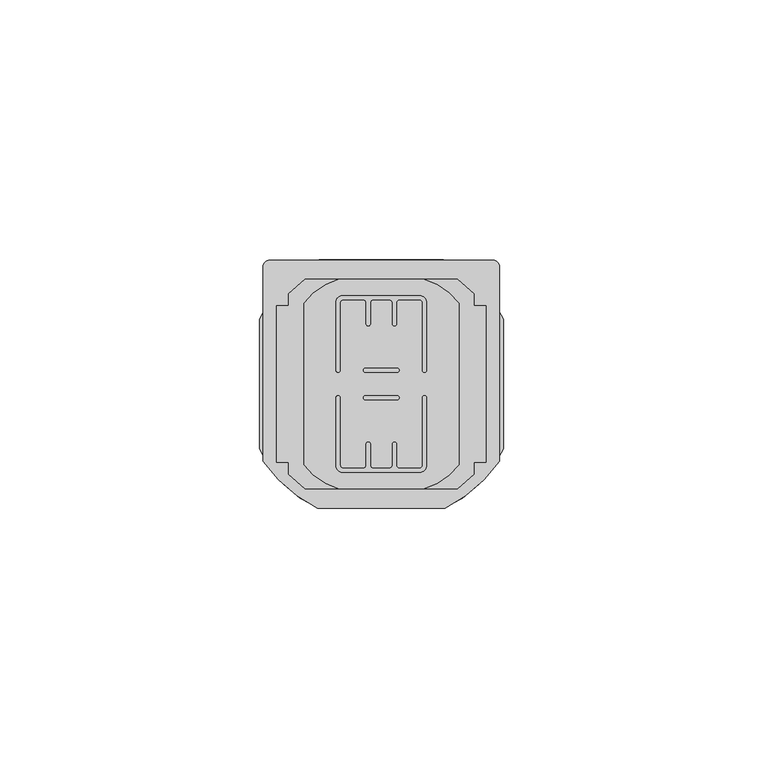
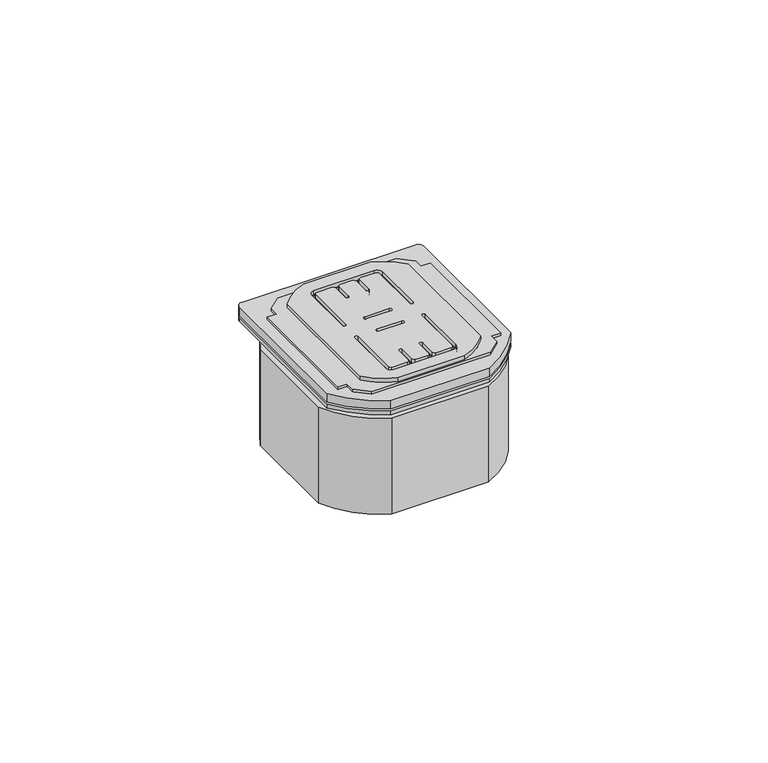
"""IFC4 building model written with IfcOpenShell, lengths in millimetres: proxy geometry."""

from ifc_helpers import new_model, si_unit, point, frame, frame_2d, origin, origin_with_axes, place, context, project, spatial, polyline, circle_curve, trimmed, segment, composite_curve, outline, extrude, source, transform, mapped, element, save


def electrical_fixtures_4f2df6b9(model_context):
    return source(origin(), model_context, "Body", "SweptSolid", [
        extrude(outline(composite_curve([segment(polyline([(0.9789013, 46.32347), (43.9976663, 46.32347)]), True, "CONTINUOUS"), segment(trimmed(circle_curve(frame_2d((43.9976663, 45.0249319)), 1.2985381), [point((43.9976663, 46.32347))], [point((45.2962044, 45.0249319))], False, "CARTESIAN"), True, "CONTINUOUS"), segment(polyline([(45.2962044, 45.0249319), (45.2962044, 7.6543811)]), True, "CONTINUOUS"), segment(trimmed(circle_curve(frame_2d((21.1903516, 24.8431667)), 29.6065278), [point((45.2962044, 7.6543811))], [point((34.7580096, -1.4715658))], False, "CARTESIAN"), True, "CONTINUOUS"), segment(polyline([(34.7580096, -1.4715658), (10.2419904, -1.4715658)]), True, "CONTINUOUS"), segment(trimmed(circle_curve(frame_2d((23.8096484, 24.8431667)), 29.6065278), [point((10.2419904, -1.4715658))], [point((-0.2962044, 7.6543811))], False, "CARTESIAN"), True, "CONTINUOUS"), segment(polyline([(-0.2962044, 7.6543811), (-0.2962044, 45.0483644)]), True, "CONTINUOUS"), segment(trimmed(circle_curve(frame_2d((0.9789013, 45.0483644)), 1.2751056), [point((-0.2962044, 45.0483644))], [point((0.9789013, 46.32347))], False, "CARTESIAN"), True, "CONTINUOUS")], self_intersect=False), holes=[composite_curve([segment(trimmed(circle_curve(frame_2d((19.4484779, 25.15)), 0.4), [point((19.4484779, 25.55))], [point((19.4484779, 24.75))], True, "CARTESIAN"), True, "CONTINUOUS"), segment(polyline([(19.4484779, 24.75), (25.5515221, 24.75)]), True, "CONTINUOUS"), segment(trimmed(circle_curve(frame_2d((25.5515221, 25.15)), 0.4), [point((25.5515221, 24.75))], [point((25.5515221, 25.55))], True, "CARTESIAN"), True, "CONTINUOUS"), segment(polyline([(25.5515221, 25.55), (19.4484779, 25.55)]), True, "CONTINUOUS")], self_intersect=False), composite_curve([segment(trimmed(circle_curve(frame_2d((14.9616115, 6.6866115)), 1.1866115), [point((13.775, 6.6866115))], [point((14.9616115, 5.5))], True, "CARTESIAN"), True, "CONTINUOUS"), segment(polyline([(14.9616115, 5.5), (29.851578, 5.5)]), True, "CONTINUOUS"), segment(trimmed(circle_curve(frame_2d((29.851578, 6.873422)), 1.373422), [point((29.851578, 5.5))], [point((31.225, 6.873422))], True, "CARTESIAN"), True, "CONTINUOUS"), segment(polyline([(31.225, 6.873422), (31.225, 19.8515221)]), True, "CONTINUOUS"), segment(trimmed(circle_curve(frame_2d((30.825, 19.8515221)), 0.4), [point((31.225, 19.8515221))], [point((30.425, 19.8515221))], True, "CARTESIAN"), True, "CONTINUOUS"), segment(polyline([(30.425, 19.8515221), (30.425, 6.8108844)]), True, "CONTINUOUS"), segment(trimmed(circle_curve(frame_2d((29.9141156, 6.8108844)), 0.5108844), [point((30.425, 6.8108844))], [point((29.9141156, 6.3))], False, "CARTESIAN"), True, "CONTINUOUS"), segment(polyline([(29.9141156, 6.3), (25.9478572, 6.3)]), True, "CONTINUOUS"), segment(trimmed(circle_curve(frame_2d((25.9478572, 6.8228572)), 0.5228572), [point((25.9478572, 6.3))], [point((25.425, 6.8228572))], False, "CARTESIAN"), True, "CONTINUOUS"), segment(polyline([(25.425, 6.8228572), (25.425, 10.9015221)]), True, "CONTINUOUS"), segment(trimmed(circle_curve(frame_2d((25.025, 10.9015221)), 0.4), [point((25.425, 10.9015221))], [point((24.625, 10.9015221))], True, "CARTESIAN"), True, "CONTINUOUS"), segment(polyline([(24.625, 10.9015221), (24.625, 6.821406)]), True, "CONTINUOUS"), segment(trimmed(circle_curve(frame_2d((24.103594, 6.821406)), 0.521406), [point((24.625, 6.821406))], [point((24.103594, 6.3))], False, "CARTESIAN"), True, "CONTINUOUS"), segment(polyline([(24.103594, 6.3), (20.9005079, 6.3)]), True, "CONTINUOUS"), segment(trimmed(circle_curve(frame_2d((20.9005079, 6.8255079)), 0.5255079), [point((20.9005079, 6.3))], [point((20.375, 6.8255079))], False, "CARTESIAN"), True, "CONTINUOUS"), segment(polyline([(20.375, 6.8255079), (20.375, 10.9015221)]), True, "CONTINUOUS"), segment(trimmed(circle_curve(frame_2d((19.975, 10.9015221)), 0.4), [point((20.375, 10.9015221))], [point((19.575, 10.9015221))], True, "CARTESIAN"), True, "CONTINUOUS"), segment(polyline([(19.575, 10.9015221), (19.575, 6.8233164)]), True, "CONTINUOUS"), segment(trimmed(circle_curve(frame_2d((19.0516836, 6.8233164)), 0.5233164), [point((19.575, 6.8233164))], [point((19.0516836, 6.3))], False, "CARTESIAN"), True, "CONTINUOUS"), segment(polyline([(19.0516836, 6.3), (15.075, 6.3)]), True, "CONTINUOUS"), segment(trimmed(circle_curve(frame_2d((15.075, 6.8)), 0.5), [point((15.075, 6.3))], [point((14.575, 6.8))], False, "CARTESIAN"), True, "CONTINUOUS"), segment(polyline([(14.575, 6.8), (14.575, 19.8515221)]), True, "CONTINUOUS"), segment(trimmed(circle_curve(frame_2d((14.175, 19.8515221)), 0.4), [point((14.575, 19.8515221))], [point((13.775, 19.8515221))], True, "CARTESIAN"), True, "CONTINUOUS"), segment(polyline([(13.775, 19.8515221), (13.775, 6.6866115)]), True, "CONTINUOUS")], self_intersect=False), composite_curve([segment(trimmed(circle_curve(frame_2d((19.4484779, 19.85)), 0.4), [point((19.4484779, 20.25))], [point((19.4484779, 19.45))], True, "CARTESIAN"), True, "CONTINUOUS"), segment(polyline([(19.4484779, 19.45), (25.5515221, 19.45)]), True, "CONTINUOUS"), segment(trimmed(circle_curve(frame_2d((25.5515221, 19.85)), 0.4), [point((25.5515221, 19.45))], [point((25.5515221, 20.25))], True, "CARTESIAN"), True, "CONTINUOUS"), segment(polyline([(25.5515221, 20.25), (19.4484779, 20.25)]), True, "CONTINUOUS")], self_intersect=False), composite_curve([segment(polyline([(13.775, 38.3133885), (13.775, 25.1484779)]), True, "CONTINUOUS"), segment(trimmed(circle_curve(frame_2d((14.175, 25.1484779)), 0.4), [point((13.775, 25.1484779))], [point((14.575, 25.1484779))], True, "CARTESIAN"), True, "CONTINUOUS"), segment(polyline([(14.575, 25.1484779), (14.575, 38.2)]), True, "CONTINUOUS"), segment(trimmed(circle_curve(frame_2d((15.075, 38.2)), 0.5), [point((14.575, 38.2))], [point((15.075, 38.7))], False, "CARTESIAN"), True, "CONTINUOUS"), segment(polyline([(15.075, 38.7), (19.0516836, 38.7)]), True, "CONTINUOUS"), segment(trimmed(circle_curve(frame_2d((19.0516836, 38.1766836)), 0.5233164), [point((19.0516836, 38.7))], [point((19.575, 38.1766836))], False, "CARTESIAN"), True, "CONTINUOUS"), segment(polyline([(19.575, 38.1766836), (19.575, 34.0984779)]), True, "CONTINUOUS"), segment(trimmed(circle_curve(frame_2d((19.975, 34.0984779)), 0.4), [point((19.575, 34.0984779))], [point((20.375, 34.0984779))], True, "CARTESIAN"), True, "CONTINUOUS"), segment(polyline([(20.375, 34.0984779), (20.375, 38.1744921)]), True, "CONTINUOUS"), segment(trimmed(circle_curve(frame_2d((20.9005079, 38.1744921)), 0.5255079), [point((20.375, 38.1744921))], [point((20.9005079, 38.7))], False, "CARTESIAN"), True, "CONTINUOUS"), segment(polyline([(20.9005079, 38.7), (24.103594, 38.7)]), True, "CONTINUOUS"), segment(trimmed(circle_curve(frame_2d((24.103594, 38.178594)), 0.521406), [point((24.103594, 38.7))], [point((24.625, 38.178594))], False, "CARTESIAN"), True, "CONTINUOUS"), segment(polyline([(24.625, 38.178594), (24.625, 34.0984779)]), True, "CONTINUOUS"), segment(trimmed(circle_curve(frame_2d((25.025, 34.0984779)), 0.4), [point((24.625, 34.0984779))], [point((25.425, 34.0984779))], True, "CARTESIAN"), True, "CONTINUOUS"), segment(polyline([(25.425, 34.0984779), (25.425, 38.1771428)]), True, "CONTINUOUS"), segment(trimmed(circle_curve(frame_2d((25.9478572, 38.1771428)), 0.5228572), [point((25.425, 38.1771428))], [point((25.9478572, 38.7))], False, "CARTESIAN"), True, "CONTINUOUS"), segment(polyline([(25.9478572, 38.7), (29.9141156, 38.7)]), True, "CONTINUOUS"), segment(trimmed(circle_curve(frame_2d((29.9141156, 38.1891156)), 0.5108844), [point((29.9141156, 38.7))], [point((30.425, 38.1891156))], False, "CARTESIAN"), True, "CONTINUOUS"), segment(polyline([(30.425, 38.1891156), (30.425, 25.1484779)]), True, "CONTINUOUS"), segment(trimmed(circle_curve(frame_2d((30.825, 25.1484779)), 0.4), [point((30.425, 25.1484779))], [point((31.225, 25.1484779))], True, "CARTESIAN"), True, "CONTINUOUS"), segment(polyline([(31.225, 25.1484779), (31.225, 38.126578)]), True, "CONTINUOUS"), segment(trimmed(circle_curve(frame_2d((29.851578, 38.126578)), 1.373422), [point((31.225, 38.126578))], [point((29.851578, 39.5))], True, "CARTESIAN"), True, "CONTINUOUS"), segment(polyline([(29.851578, 39.5), (14.9616115, 39.5)]), True, "CONTINUOUS"), segment(trimmed(circle_curve(frame_2d((14.9616115, 38.3133885)), 1.1866115), [point((14.9616115, 39.5))], [point((13.775, 38.3133885))], True, "CARTESIAN"), True, "CONTINUOUS")], self_intersect=False)]), frame((0.0, 0.0, 1.4999955), z_axis=(0.0, 0.0, 1.0), x_axis=(1.0, 0.0, 0.0)), (0.0, 0.0, 1.0), 2.2117035),
        extrude(outline(polyline([(7.817513, 42.6965395), (37.1590546, 42.6965395), (40.3765675, 39.8746223), (40.3765675, 37.6), (42.6878119, 37.6), (42.6878119, 7.4), (40.3765675, 7.4), (40.3765675, 5.1253777), (37.1590546, 2.3034605), (7.817513, 2.3034605), (4.6, 5.1253777), (4.6, 7.4), (2.3121881, 7.4), (2.3121881, 37.6), (4.6, 37.6), (4.6, 39.8746223), (7.817513, 42.6965395)]), holes=[composite_curve([segment(trimmed(circle_curve(frame_2d((19.4484779, 25.15)), 0.4), [point((19.4484779, 25.55))], [point((19.4484779, 24.75))], True, "CARTESIAN"), True, "CONTINUOUS"), segment(polyline([(19.4484779, 24.75), (25.5515221, 24.75)]), True, "CONTINUOUS"), segment(trimmed(circle_curve(frame_2d((25.5515221, 25.15)), 0.4), [point((25.5515221, 24.75))], [point((25.5515221, 25.55))], True, "CARTESIAN"), True, "CONTINUOUS"), segment(polyline([(25.5515221, 25.55), (19.4484779, 25.55)]), True, "CONTINUOUS")], self_intersect=False), composite_curve([segment(trimmed(circle_curve(frame_2d((14.9616115, 6.6866115)), 1.1866115), [point((13.775, 6.6866115))], [point((14.9616115, 5.5))], True, "CARTESIAN"), True, "CONTINUOUS"), segment(polyline([(14.9616115, 5.5), (29.851578, 5.5)]), True, "CONTINUOUS"), segment(trimmed(circle_curve(frame_2d((29.851578, 6.873422)), 1.373422), [point((29.851578, 5.5))], [point((31.225, 6.873422))], True, "CARTESIAN"), True, "CONTINUOUS"), segment(polyline([(31.225, 6.873422), (31.225, 19.8515221)]), True, "CONTINUOUS"), segment(trimmed(circle_curve(frame_2d((30.825, 19.8515221)), 0.4), [point((31.225, 19.8515221))], [point((30.425, 19.8515221))], True, "CARTESIAN"), True, "CONTINUOUS"), segment(polyline([(30.425, 19.8515221), (30.425, 6.8108844)]), True, "CONTINUOUS"), segment(trimmed(circle_curve(frame_2d((29.9141156, 6.8108844)), 0.5108844), [point((30.425, 6.8108844))], [point((29.9141156, 6.3))], False, "CARTESIAN"), True, "CONTINUOUS"), segment(polyline([(29.9141156, 6.3), (25.9478572, 6.3)]), True, "CONTINUOUS"), segment(trimmed(circle_curve(frame_2d((25.9478572, 6.8228572)), 0.5228572), [point((25.9478572, 6.3))], [point((25.425, 6.8228572))], False, "CARTESIAN"), True, "CONTINUOUS"), segment(polyline([(25.425, 6.8228572), (25.425, 10.9015221)]), True, "CONTINUOUS"), segment(trimmed(circle_curve(frame_2d((25.025, 10.9015221)), 0.4), [point((25.425, 10.9015221))], [point((24.625, 10.9015221))], True, "CARTESIAN"), True, "CONTINUOUS"), segment(polyline([(24.625, 10.9015221), (24.625, 6.821406)]), True, "CONTINUOUS"), segment(trimmed(circle_curve(frame_2d((24.103594, 6.821406)), 0.521406), [point((24.625, 6.821406))], [point((24.103594, 6.3))], False, "CARTESIAN"), True, "CONTINUOUS"), segment(polyline([(24.103594, 6.3), (20.9005079, 6.3)]), True, "CONTINUOUS"), segment(trimmed(circle_curve(frame_2d((20.9005079, 6.8255079)), 0.5255079), [point((20.9005079, 6.3))], [point((20.375, 6.8255079))], False, "CARTESIAN"), True, "CONTINUOUS"), segment(polyline([(20.375, 6.8255079), (20.375, 10.9015221)]), True, "CONTINUOUS"), segment(trimmed(circle_curve(frame_2d((19.975, 10.9015221)), 0.4), [point((20.375, 10.9015221))], [point((19.575, 10.9015221))], True, "CARTESIAN"), True, "CONTINUOUS"), segment(polyline([(19.575, 10.9015221), (19.575, 6.8233164)]), True, "CONTINUOUS"), segment(trimmed(circle_curve(frame_2d((19.0516836, 6.8233164)), 0.5233164), [point((19.575, 6.8233164))], [point((19.0516836, 6.3))], False, "CARTESIAN"), True, "CONTINUOUS"), segment(polyline([(19.0516836, 6.3), (15.075, 6.3)]), True, "CONTINUOUS"), segment(trimmed(circle_curve(frame_2d((15.075, 6.8)), 0.5), [point((15.075, 6.3))], [point((14.575, 6.8))], False, "CARTESIAN"), True, "CONTINUOUS"), segment(polyline([(14.575, 6.8), (14.575, 19.8515221)]), True, "CONTINUOUS"), segment(trimmed(circle_curve(frame_2d((14.175, 19.8515221)), 0.4), [point((14.575, 19.8515221))], [point((13.775, 19.8515221))], True, "CARTESIAN"), True, "CONTINUOUS"), segment(polyline([(13.775, 19.8515221), (13.775, 6.6866115)]), True, "CONTINUOUS")], self_intersect=False), composite_curve([segment(trimmed(circle_curve(frame_2d((19.4484779, 19.85)), 0.4), [point((19.4484779, 20.25))], [point((19.4484779, 19.45))], True, "CARTESIAN"), True, "CONTINUOUS"), segment(polyline([(19.4484779, 19.45), (25.5515221, 19.45)]), True, "CONTINUOUS"), segment(trimmed(circle_curve(frame_2d((25.5515221, 19.85)), 0.4), [point((25.5515221, 19.45))], [point((25.5515221, 20.25))], True, "CARTESIAN"), True, "CONTINUOUS"), segment(polyline([(25.5515221, 20.25), (19.4484779, 20.25)]), True, "CONTINUOUS")], self_intersect=False), composite_curve([segment(polyline([(13.775, 38.3133885), (13.775, 25.1484779)]), True, "CONTINUOUS"), segment(trimmed(circle_curve(frame_2d((14.175, 25.1484779)), 0.4), [point((13.775, 25.1484779))], [point((14.575, 25.1484779))], True, "CARTESIAN"), True, "CONTINUOUS"), segment(polyline([(14.575, 25.1484779), (14.575, 38.2)]), True, "CONTINUOUS"), segment(trimmed(circle_curve(frame_2d((15.075, 38.2)), 0.5), [point((14.575, 38.2))], [point((15.075, 38.7))], False, "CARTESIAN"), True, "CONTINUOUS"), segment(polyline([(15.075, 38.7), (19.0516836, 38.7)]), True, "CONTINUOUS"), segment(trimmed(circle_curve(frame_2d((19.0516836, 38.1766836)), 0.5233164), [point((19.0516836, 38.7))], [point((19.575, 38.1766836))], False, "CARTESIAN"), True, "CONTINUOUS"), segment(polyline([(19.575, 38.1766836), (19.575, 34.0984779)]), True, "CONTINUOUS"), segment(trimmed(circle_curve(frame_2d((19.975, 34.0984779)), 0.4), [point((19.575, 34.0984779))], [point((20.375, 34.0984779))], True, "CARTESIAN"), True, "CONTINUOUS"), segment(polyline([(20.375, 34.0984779), (20.375, 38.1744921)]), True, "CONTINUOUS"), segment(trimmed(circle_curve(frame_2d((20.9005079, 38.1744921)), 0.5255079), [point((20.375, 38.1744921))], [point((20.9005079, 38.7))], False, "CARTESIAN"), True, "CONTINUOUS"), segment(polyline([(20.9005079, 38.7), (24.103594, 38.7)]), True, "CONTINUOUS"), segment(trimmed(circle_curve(frame_2d((24.103594, 38.178594)), 0.521406), [point((24.103594, 38.7))], [point((24.625, 38.178594))], False, "CARTESIAN"), True, "CONTINUOUS"), segment(polyline([(24.625, 38.178594), (24.625, 34.0984779)]), True, "CONTINUOUS"), segment(trimmed(circle_curve(frame_2d((25.025, 34.0984779)), 0.4), [point((24.625, 34.0984779))], [point((25.425, 34.0984779))], True, "CARTESIAN"), True, "CONTINUOUS"), segment(polyline([(25.425, 34.0984779), (25.425, 38.1771428)]), True, "CONTINUOUS"), segment(trimmed(circle_curve(frame_2d((25.9478572, 38.1771428)), 0.5228572), [point((25.425, 38.1771428))], [point((25.9478572, 38.7))], False, "CARTESIAN"), True, "CONTINUOUS"), segment(polyline([(25.9478572, 38.7), (29.9141156, 38.7)]), True, "CONTINUOUS"), segment(trimmed(circle_curve(frame_2d((29.9141156, 38.1891156)), 0.5108844), [point((29.9141156, 38.7))], [point((30.425, 38.1891156))], False, "CARTESIAN"), True, "CONTINUOUS"), segment(polyline([(30.425, 38.1891156), (30.425, 25.1484779)]), True, "CONTINUOUS"), segment(trimmed(circle_curve(frame_2d((30.825, 25.1484779)), 0.4), [point((30.425, 25.1484779))], [point((31.225, 25.1484779))], True, "CARTESIAN"), True, "CONTINUOUS"), segment(polyline([(31.225, 25.1484779), (31.225, 38.126578)]), True, "CONTINUOUS"), segment(trimmed(circle_curve(frame_2d((29.851578, 38.126578)), 1.373422), [point((31.225, 38.126578))], [point((29.851578, 39.5))], True, "CARTESIAN"), True, "CONTINUOUS"), segment(polyline([(29.851578, 39.5), (14.9616115, 39.5)]), True, "CONTINUOUS"), segment(trimmed(circle_curve(frame_2d((14.9616115, 38.3133885)), 1.1866115), [point((14.9616115, 39.5))], [point((13.775, 38.3133885))], True, "CARTESIAN"), True, "CONTINUOUS")], self_intersect=False)]), frame((0.0, 0.0, 3.711699), z_axis=(0.0, 0.0, 1.0), x_axis=(1.0, 0.0, 0.0)), (0.0, 0.0, 1.0), 0.9974815),
        extrude(outline(composite_curve([segment(trimmed(circle_curve(frame_2d((18.8101734, 28.9286585)), 14.5070098), [point((7.5534605, 38.079601))], [point((14.2386544, 42.6965395))], False, "CARTESIAN"), True, "CONTINUOUS"), segment(polyline([(14.2386544, 42.6965395), (30.7613456, 42.6965395)]), True, "CONTINUOUS"), segment(trimmed(circle_curve(frame_2d((26.1898266, 28.9286585)), 14.5070098), [point((30.7613456, 42.6965395))], [point((37.4465395, 38.079601))], False, "CARTESIAN"), True, "CONTINUOUS"), segment(polyline([(37.4465395, 38.079601), (37.4465395, 6.920399)]), True, "CONTINUOUS"), segment(trimmed(circle_curve(frame_2d((26.1898266, 16.0713415)), 14.5070098), [point((37.4465395, 6.920399))], [point((30.7613456, 2.3034605))], False, "CARTESIAN"), True, "CONTINUOUS"), segment(polyline([(30.7613456, 2.3034605), (14.2386544, 2.3034605)]), True, "CONTINUOUS"), segment(trimmed(circle_curve(frame_2d((18.8101734, 16.0713415)), 14.5070098), [point((14.2386544, 2.3034605))], [point((7.5534605, 6.920399))], False, "CARTESIAN"), True, "CONTINUOUS"), segment(polyline([(7.5534605, 6.920399), (7.5534605, 38.079601)]), True, "CONTINUOUS")], self_intersect=False), holes=[composite_curve([segment(trimmed(circle_curve(frame_2d((19.4484779, 25.15)), 0.4), [point((19.4484779, 25.55))], [point((19.4484779, 24.75))], True, "CARTESIAN"), True, "CONTINUOUS"), segment(polyline([(19.4484779, 24.75), (25.5515221, 24.75)]), True, "CONTINUOUS"), segment(trimmed(circle_curve(frame_2d((25.5515221, 25.15)), 0.4), [point((25.5515221, 24.75))], [point((25.5515221, 25.55))], True, "CARTESIAN"), True, "CONTINUOUS"), segment(polyline([(25.5515221, 25.55), (19.4484779, 25.55)]), True, "CONTINUOUS")], self_intersect=False), composite_curve([segment(trimmed(circle_curve(frame_2d((14.9616115, 6.6866115)), 1.1866115), [point((13.775, 6.6866115))], [point((14.9616115, 5.5))], True, "CARTESIAN"), True, "CONTINUOUS"), segment(polyline([(14.9616115, 5.5), (29.851578, 5.5)]), True, "CONTINUOUS"), segment(trimmed(circle_curve(frame_2d((29.851578, 6.873422)), 1.373422), [point((29.851578, 5.5))], [point((31.225, 6.873422))], True, "CARTESIAN"), True, "CONTINUOUS"), segment(polyline([(31.225, 6.873422), (31.225, 19.8515221)]), True, "CONTINUOUS"), segment(trimmed(circle_curve(frame_2d((30.825, 19.8515221)), 0.4), [point((31.225, 19.8515221))], [point((30.425, 19.8515221))], True, "CARTESIAN"), True, "CONTINUOUS"), segment(polyline([(30.425, 19.8515221), (30.425, 6.8108844)]), True, "CONTINUOUS"), segment(trimmed(circle_curve(frame_2d((29.9141156, 6.8108844)), 0.5108844), [point((30.425, 6.8108844))], [point((29.9141156, 6.3))], False, "CARTESIAN"), True, "CONTINUOUS"), segment(polyline([(29.9141156, 6.3), (25.9478572, 6.3)]), True, "CONTINUOUS"), segment(trimmed(circle_curve(frame_2d((25.9478572, 6.8228572)), 0.5228572), [point((25.9478572, 6.3))], [point((25.425, 6.8228572))], False, "CARTESIAN"), True, "CONTINUOUS"), segment(polyline([(25.425, 6.8228572), (25.425, 10.9015221)]), True, "CONTINUOUS"), segment(trimmed(circle_curve(frame_2d((25.025, 10.9015221)), 0.4), [point((25.425, 10.9015221))], [point((24.625, 10.9015221))], True, "CARTESIAN"), True, "CONTINUOUS"), segment(polyline([(24.625, 10.9015221), (24.625, 6.821406)]), True, "CONTINUOUS"), segment(trimmed(circle_curve(frame_2d((24.103594, 6.821406)), 0.521406), [point((24.625, 6.821406))], [point((24.103594, 6.3))], False, "CARTESIAN"), True, "CONTINUOUS"), segment(polyline([(24.103594, 6.3), (20.9005079, 6.3)]), True, "CONTINUOUS"), segment(trimmed(circle_curve(frame_2d((20.9005079, 6.8255079)), 0.5255079), [point((20.9005079, 6.3))], [point((20.375, 6.8255079))], False, "CARTESIAN"), True, "CONTINUOUS"), segment(polyline([(20.375, 6.8255079), (20.375, 10.9015221)]), True, "CONTINUOUS"), segment(trimmed(circle_curve(frame_2d((19.975, 10.9015221)), 0.4), [point((20.375, 10.9015221))], [point((19.575, 10.9015221))], True, "CARTESIAN"), True, "CONTINUOUS"), segment(polyline([(19.575, 10.9015221), (19.575, 6.8233164)]), True, "CONTINUOUS"), segment(trimmed(circle_curve(frame_2d((19.0516836, 6.8233164)), 0.5233164), [point((19.575, 6.8233164))], [point((19.0516836, 6.3))], False, "CARTESIAN"), True, "CONTINUOUS"), segment(polyline([(19.0516836, 6.3), (15.075, 6.3)]), True, "CONTINUOUS"), segment(trimmed(circle_curve(frame_2d((15.075, 6.8)), 0.5), [point((15.075, 6.3))], [point((14.575, 6.8))], False, "CARTESIAN"), True, "CONTINUOUS"), segment(polyline([(14.575, 6.8), (14.575, 19.8515221)]), True, "CONTINUOUS"), segment(trimmed(circle_curve(frame_2d((14.175, 19.8515221)), 0.4), [point((14.575, 19.8515221))], [point((13.775, 19.8515221))], True, "CARTESIAN"), True, "CONTINUOUS"), segment(polyline([(13.775, 19.8515221), (13.775, 6.6866115)]), True, "CONTINUOUS")], self_intersect=False), composite_curve([segment(trimmed(circle_curve(frame_2d((19.4484779, 19.85)), 0.4), [point((19.4484779, 20.25))], [point((19.4484779, 19.45))], True, "CARTESIAN"), True, "CONTINUOUS"), segment(polyline([(19.4484779, 19.45), (25.5515221, 19.45)]), True, "CONTINUOUS"), segment(trimmed(circle_curve(frame_2d((25.5515221, 19.85)), 0.4), [point((25.5515221, 19.45))], [point((25.5515221, 20.25))], True, "CARTESIAN"), True, "CONTINUOUS"), segment(polyline([(25.5515221, 20.25), (19.4484779, 20.25)]), True, "CONTINUOUS")], self_intersect=False), composite_curve([segment(polyline([(13.775, 38.3133885), (13.775, 25.1484779)]), True, "CONTINUOUS"), segment(trimmed(circle_curve(frame_2d((14.175, 25.1484779)), 0.4), [point((13.775, 25.1484779))], [point((14.575, 25.1484779))], True, "CARTESIAN"), True, "CONTINUOUS"), segment(polyline([(14.575, 25.1484779), (14.575, 38.2)]), True, "CONTINUOUS"), segment(trimmed(circle_curve(frame_2d((15.075, 38.2)), 0.5), [point((14.575, 38.2))], [point((15.075, 38.7))], False, "CARTESIAN"), True, "CONTINUOUS"), segment(polyline([(15.075, 38.7), (19.0516836, 38.7)]), True, "CONTINUOUS"), segment(trimmed(circle_curve(frame_2d((19.0516836, 38.1766836)), 0.5233164), [point((19.0516836, 38.7))], [point((19.575, 38.1766836))], False, "CARTESIAN"), True, "CONTINUOUS"), segment(polyline([(19.575, 38.1766836), (19.575, 34.0984779)]), True, "CONTINUOUS"), segment(trimmed(circle_curve(frame_2d((19.975, 34.0984779)), 0.4), [point((19.575, 34.0984779))], [point((20.375, 34.0984779))], True, "CARTESIAN"), True, "CONTINUOUS"), segment(polyline([(20.375, 34.0984779), (20.375, 38.1744921)]), True, "CONTINUOUS"), segment(trimmed(circle_curve(frame_2d((20.9005079, 38.1744921)), 0.5255079), [point((20.375, 38.1744921))], [point((20.9005079, 38.7))], False, "CARTESIAN"), True, "CONTINUOUS"), segment(polyline([(20.9005079, 38.7), (24.103594, 38.7)]), True, "CONTINUOUS"), segment(trimmed(circle_curve(frame_2d((24.103594, 38.178594)), 0.521406), [point((24.103594, 38.7))], [point((24.625, 38.178594))], False, "CARTESIAN"), True, "CONTINUOUS"), segment(polyline([(24.625, 38.178594), (24.625, 34.0984779)]), True, "CONTINUOUS"), segment(trimmed(circle_curve(frame_2d((25.025, 34.0984779)), 0.4), [point((24.625, 34.0984779))], [point((25.425, 34.0984779))], True, "CARTESIAN"), True, "CONTINUOUS"), segment(polyline([(25.425, 34.0984779), (25.425, 38.1771428)]), True, "CONTINUOUS"), segment(trimmed(circle_curve(frame_2d((25.9478572, 38.1771428)), 0.5228572), [point((25.425, 38.1771428))], [point((25.9478572, 38.7))], False, "CARTESIAN"), True, "CONTINUOUS"), segment(polyline([(25.9478572, 38.7), (29.9141156, 38.7)]), True, "CONTINUOUS"), segment(trimmed(circle_curve(frame_2d((29.9141156, 38.1891156)), 0.5108844), [point((29.9141156, 38.7))], [point((30.425, 38.1891156))], False, "CARTESIAN"), True, "CONTINUOUS"), segment(polyline([(30.425, 38.1891156), (30.425, 25.1484779)]), True, "CONTINUOUS"), segment(trimmed(circle_curve(frame_2d((30.825, 25.1484779)), 0.4), [point((30.425, 25.1484779))], [point((31.225, 25.1484779))], True, "CARTESIAN"), True, "CONTINUOUS"), segment(polyline([(31.225, 25.1484779), (31.225, 38.126578)]), True, "CONTINUOUS"), segment(trimmed(circle_curve(frame_2d((29.851578, 38.126578)), 1.373422), [point((31.225, 38.126578))], [point((29.851578, 39.5))], True, "CARTESIAN"), True, "CONTINUOUS"), segment(polyline([(29.851578, 39.5), (14.9616115, 39.5)]), True, "CONTINUOUS"), segment(trimmed(circle_curve(frame_2d((14.9616115, 38.3133885)), 1.1866115), [point((14.9616115, 39.5))], [point((13.775, 38.3133885))], True, "CARTESIAN"), True, "CONTINUOUS")], self_intersect=False)]), frame((0.0, 0.0, 4.7091806), z_axis=(0.0, 0.0, 1.0), x_axis=(1.0, 0.0, 0.0)), (0.0, 0.0, 1.0), 1.3291127),
        extrude(outline(composite_curve([segment(polyline([(0.9789013, 46.32347), (43.9976663, 46.32347)]), True, "CONTINUOUS"), segment(trimmed(circle_curve(frame_2d((43.9976663, 45.0249319)), 1.2985381), [point((43.9976663, 46.32347))], [point((45.2962044, 45.0249319))], False, "CARTESIAN"), True, "CONTINUOUS"), segment(polyline([(45.2962044, 45.0249319), (45.2962044, 7.6543811)]), True, "CONTINUOUS"), segment(trimmed(circle_curve(frame_2d((21.1903516, 24.8431667)), 29.6065278), [point((45.2962044, 7.6543811))], [point((34.7580096, -1.4715658))], False, "CARTESIAN"), True, "CONTINUOUS"), segment(polyline([(34.7580096, -1.4715658), (10.2419904, -1.4715658)]), True, "CONTINUOUS"), segment(trimmed(circle_curve(frame_2d((23.8096484, 24.8431667)), 29.6065278), [point((10.2419904, -1.4715658))], [point((-0.2962044, 7.6543811))], False, "CARTESIAN"), True, "CONTINUOUS"), segment(polyline([(-0.2962044, 7.6543811), (-0.2962044, 45.0483644)]), True, "CONTINUOUS"), segment(trimmed(circle_curve(frame_2d((0.9789013, 45.0483644)), 1.2751056), [point((-0.2962044, 45.0483644))], [point((0.9789013, 46.32347))], False, "CARTESIAN"), True, "CONTINUOUS")], self_intersect=False)), origin_with_axes(), (0.0, 0.0, 1.0), 1.0),
        extrude(outline(composite_curve([segment(trimmed(circle_curve(frame_2d((25.8090347, 26.267337)), 21.987303), [point((34.4825941, 46.4715658))], [point((46.0132635, 34.9408963))], False, "CARTESIAN"), True, "CONTINUOUS"), segment(polyline([(46.0132635, 34.9408963), (46.0132635, 10.0591037)]), True, "CONTINUOUS"), segment(trimmed(circle_curve(frame_2d((25.8090347, 18.732663)), 21.987303), [point((46.0132635, 10.0591037))], [point((34.4825941, -1.4715658))], False, "CARTESIAN"), True, "CONTINUOUS"), segment(polyline([(34.4825941, -1.4715658), (10.5174059, -1.4715658)]), True, "CONTINUOUS"), segment(trimmed(circle_curve(frame_2d((19.1909653, 18.732663)), 21.987303), [point((10.5174059, -1.4715658))], [point((-1.0132635, 10.0591037))], False, "CARTESIAN"), True, "CONTINUOUS"), segment(polyline([(-1.0132635, 10.0591037), (-1.0132635, 34.9408963)]), True, "CONTINUOUS"), segment(trimmed(circle_curve(frame_2d((19.1909653, 26.267337)), 21.987303), [point((-1.0132635, 34.9408963))], [point((10.5174059, 46.4715658))], False, "CARTESIAN"), True, "CONTINUOUS"), segment(polyline([(10.5174059, 46.4715658), (34.4825941, 46.4715658)]), True, "CONTINUOUS")], self_intersect=False)), frame((0.0, 0.0, -26.1102138), z_axis=(0.0, 0.0, 1.0), x_axis=(1.0, 0.0, 0.0)), (0.0, 0.0, 1.0), 25.1727138),
    ])


if __name__ == "__main__":
    model = new_model("IFC4")
    model_context = context("Model", 3, world=origin())
    ifc_project = project(units=[si_unit("LENGTHUNIT", "METRE", prefix="MILLI")], contexts=[model_context])
    site = spatial("IfcSite", under=ifc_project)
    building = spatial("IfcBuilding", under=site)
    placement = place(None, origin())
    electrical_fixtures_shape = electrical_fixtures_4f2df6b9(model_context)
    element("IfcBuildingElementProxy", 1, Name="Electrical Fixtures", at=placement, inside=building, context=model_context, shape_type="MappedRepresentation", body=[
        mapped(electrical_fixtures_shape, transform((0.0, 0.0, 0.0), x_axis=(1.0, 0.0, 0.0), y_axis=(0.0, 1.0, 0.0), z_axis=(0.0, 0.0, 1.0))),
    ])
    save(model, "model.ifc")
